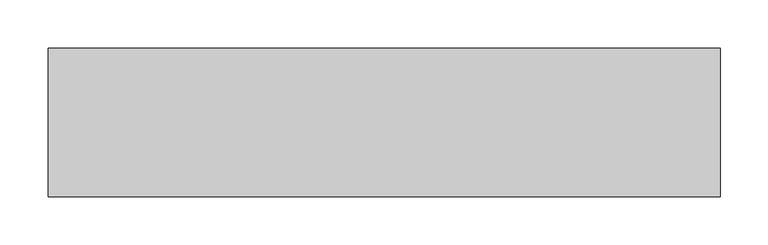
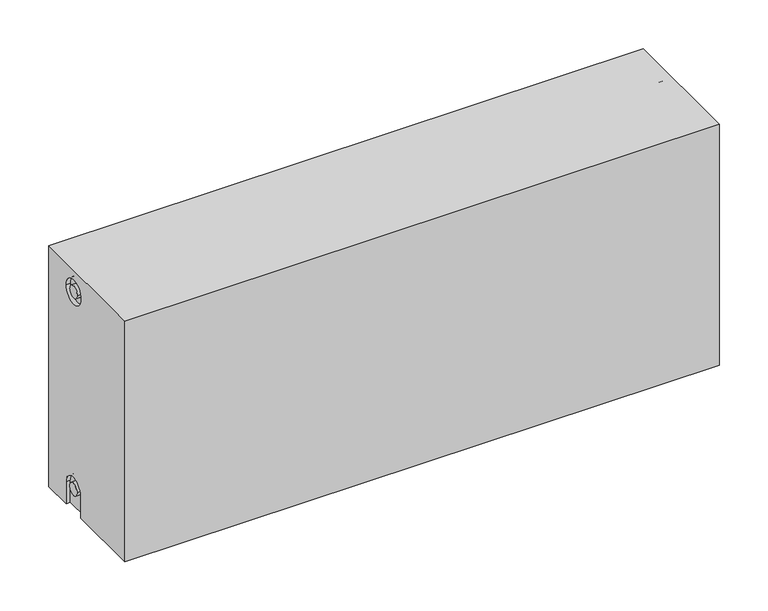
"""IFC4 building model written with IfcOpenShell, lengths in millimetres: proxy geometry."""

from ifc_helpers import new_model, si_unit, frame, origin, place, context, project, spatial, polyline, circle_curve, source, transform, mapped, element, save
from ifc_brep_helpers import plane_surface, cylinder_surface, revolved_surface, advanced_brep


def mechanical_equipment_3b9f27b1(model_context):
    return source(origin(), model_context, "Body", "AdvancedBrep", [
        advanced_brep(
        [(700.0, 77.5, 300.0), (700.0, 77.5, 0.0), (0.0, 77.5, 0.0), (0.0, 77.5, 300.0), (700.0, -77.5, 300.0), (0.0, -77.5, 300.0), (0.0, -77.5, 0.0), (700.0, -77.5, 0.0), (700.0, 12.2242393, 0.0), (700.0, 12.2242393, 27.0), (700.0, 42.2242393, 27.0), (700.0, 42.2242393, 0.0), (700.0, 42.2242393, 273.0), (700.0, 12.2242393, 273.0), (700.0, 19.7242393, 27.0), (700.0, 34.7242393, 27.0), (700.0, 34.7242393, 273.0), (700.0, 19.7242393, 273.0), (695.0, 42.2242393, 0.0), (695.0, 12.2242393, 0.0), (0.0, 12.5, 0.0), (5.0, 12.5, 0.0), (5.0, 42.5, 0.0), (0.0, 42.5, 0.0), (0.0, 42.5, 27.0), (0.0, 12.5, 27.0), (0.0, 12.2242393, 273.0), (0.0, 42.2242393, 273.0), (0.0, 19.7242393, 273.0), (0.0, 34.7242393, 273.0), (0.0, 35.0682726, 27.0), (0.0, 20.0682726, 27.0), (5.0, 12.2242393, 273.0), (5.0, 42.2242393, 273.0), (5.0, 19.7242393, 273.0), (5.0, 34.7242393, 273.0), (5.0, 12.5, 27.0), (5.0, 42.5, 27.0), (5.0, 20.0682726, 27.0), (5.0, 35.0682726, 27.0), (695.0, 42.2242393, 27.0), (695.0, 12.2242393, 27.0), (695.0, 19.7242393, 27.0), (695.0, 34.7242393, 27.0), (695.0, 12.2242393, 273.0), (695.0, 42.2242393, 273.0), (695.0, 19.7242393, 273.0), (695.0, 34.7242393, 273.0)],
        [
            (0, 1),
            (1, 2),
            (2, 3),
            (3, 0),
            (4, 5),
            (5, 6),
            (6, 7),
            (7, 4),
            (0, 4),
            (7, 8),
            (8, 9),
            (9, 10, circle_curve(frame((700.0, 27.2242393, 27.0), z_axis=(-1.0, 0.0, 0.0), x_axis=(0.0, 1.0, 0.0)), 15.0)),
            (10, 11),
            (11, 1),
            (12, 13, circle_curve(frame((700.0, 27.2242393, 273.0), z_axis=(-1.0, 0.0, 0.0), x_axis=(0.0, 1.0, 0.0)), 15.0)),
            (13, 12, circle_curve(frame((700.0, 27.2242393, 273.0), z_axis=(-1.0, 0.0, 0.0), x_axis=(0.0, 1.0, 0.0)), 15.0)),
            (14, 15, circle_curve(frame((700.0, 27.2242393, 27.0), z_axis=(1.0, 0.0, 0.0), x_axis=(0.0, 1.0, 0.0)), 7.5)),
            (15, 14, circle_curve(frame((700.0, 27.2242393, 27.0), z_axis=(1.0, 0.0, 0.0), x_axis=(0.0, 1.0, 0.0)), 7.5)),
            (16, 17, circle_curve(frame((700.0, 27.2242393, 273.0), z_axis=(1.0, 0.0, 0.0), x_axis=(0.0, 1.0, 0.0)), 7.5)),
            (17, 16, circle_curve(frame((700.0, 27.2242393, 273.0), z_axis=(1.0, 0.0, 0.0), x_axis=(0.0, 1.0, 0.0)), 7.5)),
            (11, 18),
            (18, 19),
            (19, 8),
            (6, 20),
            (20, 21),
            (21, 22),
            (22, 23),
            (23, 2),
            (23, 24),
            (24, 25, circle_curve(frame((0.0, 27.5, 27.0), z_axis=(1.0, 0.0, 0.0), x_axis=(0.0, 1.0, 0.0)), 15.0)),
            (25, 20),
            (5, 3),
            (26, 27, circle_curve(frame((0.0, 27.2242393, 273.0), z_axis=(1.0, 0.0, 0.0), x_axis=(0.0, 1.0, 0.0)), 15.0)),
            (27, 26, circle_curve(frame((0.0, 27.2242393, 273.0), z_axis=(1.0, 0.0, 0.0), x_axis=(0.0, 1.0, 0.0)), 15.0)),
            (28, 29, circle_curve(frame((0.0, 27.2242393, 273.0), z_axis=(-1.0, 0.0, 0.0), x_axis=(0.0, 1.0, 0.0)), 7.5)),
            (29, 28, circle_curve(frame((0.0, 27.2242393, 273.0), z_axis=(-1.0, 0.0, 0.0), x_axis=(0.0, 1.0, 0.0)), 7.5)),
            (30, 31, circle_curve(frame((0.0, 27.5682726, 27.0), z_axis=(-1.0, 0.0, 0.0), x_axis=(0.0, 1.0, 0.0)), 7.5)),
            (31, 30, circle_curve(frame((0.0, 27.5682726, 27.0), z_axis=(-1.0, 0.0, 0.0), x_axis=(0.0, 1.0, 0.0)), 7.5)),
            (32, 33, circle_curve(frame((5.0, 27.2242393, 273.0), z_axis=(-1.0, 0.0, 0.0), x_axis=(0.0, 1.0, 0.0)), 15.0)),
            (33, 32, circle_curve(frame((5.0, 27.2242393, 273.0), z_axis=(-1.0, 0.0, 0.0), x_axis=(0.0, 1.0, 0.0)), 15.0)),
            (34, 35, circle_curve(frame((5.0, 27.2242393, 273.0), z_axis=(1.0, 0.0, 0.0), x_axis=(0.0, 1.0, 0.0)), 7.5)),
            (35, 34, circle_curve(frame((5.0, 27.2242393, 273.0), z_axis=(1.0, 0.0, 0.0), x_axis=(0.0, 1.0, 0.0)), 7.5)),
            (33, 27),
            (26, 32),
            (35, 29),
            (28, 34),
            (21, 36),
            (36, 37, circle_curve(frame((5.0, 27.5, 27.0), z_axis=(-1.0, 0.0, 0.0), x_axis=(0.0, 1.0, 0.0)), 15.0)),
            (37, 22),
            (38, 39, circle_curve(frame((5.0, 27.5682726, 27.0), z_axis=(1.0, 0.0, 0.0), x_axis=(0.0, 1.0, 0.0)), 7.5)),
            (39, 38, circle_curve(frame((5.0, 27.5682726, 27.0), z_axis=(1.0, 0.0, 0.0), x_axis=(0.0, 1.0, 0.0)), 7.5)),
            (38, 31),
            (30, 39),
            (37, 24),
            (36, 25),
            (18, 40),
            (40, 41, circle_curve(frame((695.0, 27.2242393, 27.0), z_axis=(1.0, 0.0, 0.0), x_axis=(0.0, 1.0, 0.0)), 15.0)),
            (41, 19),
            (42, 43, circle_curve(frame((695.0, 27.2242393, 27.0), z_axis=(-1.0, 0.0, 0.0), x_axis=(0.0, 1.0, 0.0)), 7.5)),
            (43, 42, circle_curve(frame((695.0, 27.2242393, 27.0), z_axis=(-1.0, 0.0, 0.0), x_axis=(0.0, 1.0, 0.0)), 7.5)),
            (43, 15),
            (14, 42),
            (10, 40),
            (9, 41),
            (44, 45, circle_curve(frame((695.0, 27.2242393, 273.0), z_axis=(1.0, 0.0, 0.0), x_axis=(0.0, 1.0, 0.0)), 15.0)),
            (45, 44, circle_curve(frame((695.0, 27.2242393, 273.0), z_axis=(1.0, 0.0, 0.0), x_axis=(0.0, 1.0, 0.0)), 15.0)),
            (46, 47, circle_curve(frame((695.0, 27.2242393, 273.0), z_axis=(-1.0, 0.0, 0.0), x_axis=(0.0, 1.0, 0.0)), 7.5)),
            (47, 46, circle_curve(frame((695.0, 27.2242393, 273.0), z_axis=(-1.0, 0.0, 0.0), x_axis=(0.0, 1.0, 0.0)), 7.5)),
            (44, 13),
            (12, 45),
            (46, 17),
            (16, 47),
        ],
        [
            plane_surface(frame((700.0, 77.5, 300.0), z_axis=(0.0, 1.0, 0.0), x_axis=(0.0, 0.0, -1.0))),
            plane_surface(frame((700.0, -77.5, 300.0), z_axis=(0.0, -1.0, 0.0), x_axis=(0.0, 0.0, 1.0))),
            plane_surface(frame((700.0, 77.5, 300.0), z_axis=(1.0, 0.0, 0.0), x_axis=(0.0, -1.0, 0.0))),
            plane_surface(frame((700.0, 77.5, 0.0), z_axis=(0.0, 0.0, -1.0), x_axis=(0.0, -1.0, 0.0))),
            plane_surface(frame((0.0, 77.5, 0.0), z_axis=(-1.0, 0.0, 0.0), x_axis=(0.0, -1.0, 0.0))),
            plane_surface(frame((0.0, 77.5, 300.0), z_axis=(0.0, 0.0, 1.0), x_axis=(0.0, -1.0, 0.0))),
            plane_surface(frame((5.0, 42.2242393, 273.0), z_axis=(-1.0, 0.0, 0.0), x_axis=(0.0, 0.0, 1.0))),
            revolved_surface(polyline([(5.0, 42.2242393, 273.0), (0.0, 42.2242393, 273.0)]), (0.0, 27.2242393, 273.0), (1.0, 0.0, 0.0)),
            cylinder_surface(frame((0.0, 27.2242393, 273.0), z_axis=(-1.0, 0.0, 0.0), x_axis=(0.0, 1.0, 0.0)), 7.5),
            plane_surface(frame((5.0, 35.0682726, 27.0), z_axis=(-1.0, 0.0, 0.0), x_axis=(0.0, 0.0, -1.0))),
            cylinder_surface(frame((0.0, 27.5682726, 27.0), z_axis=(-1.0, 0.0, 0.0), x_axis=(0.0, 1.0, 0.0)), 7.5),
            plane_surface(frame((5.0, 42.5, 0.0), z_axis=(0.0, -1.0, 0.0), x_axis=(-1.0, 0.0, 0.0))),
            revolved_surface(polyline([(5.0, 42.5, 27.0), (0.0, 42.5, 27.0)]), (0.0, 27.5, 27.0), (1.0, 0.0, 0.0)),
            plane_surface(frame((5.0, 12.5, 27.0), z_axis=(0.0, 1.0, 0.0), x_axis=(-1.0, 0.0, 0.0))),
            plane_surface(frame((695.0, 34.7242393, 27.0), z_axis=(1.0, 0.0, 0.0), x_axis=(0.0, 0.0, 1.0))),
            cylinder_surface(frame((695.0, 27.2242393, 27.0), z_axis=(-1.0, 0.0, 0.0), x_axis=(0.0, 1.0, 0.0)), 7.5),
            plane_surface(frame((700.0, 42.2242393, 0.0), z_axis=(0.0, -1.0, 0.0), x_axis=(-1.0, 0.0, 0.0))),
            revolved_surface(polyline([(700.0, 42.2242393, 27.0), (695.0, 42.2242393, 27.0)]), (895.0, 27.2242393, 27.0), (1.0, 0.0, 0.0)),
            plane_surface(frame((700.0, 12.2242393, 27.0), z_axis=(0.0, 1.0, 0.0), x_axis=(-1.0, 0.0, 0.0))),
            plane_surface(frame((695.0, 42.2242393, 273.0), z_axis=(1.0, 0.0, 0.0), x_axis=(0.0, 0.0, -1.0))),
            revolved_surface(polyline([(700.0, 42.2242393, 273.0), (695.0, 42.2242393, 273.0)]), (695.0, 27.2242393, 273.0), (1.0, 0.0, 0.0)),
            cylinder_surface(frame((895.0, 27.2242393, 273.0), z_axis=(-1.0, 0.0, 0.0), x_axis=(0.0, 1.0, 0.0)), 7.5),
        ],
        [
            (0, [[1, 2, 3, 4]]),
            (1, [[5, 6, 7, 8]]),
            (2, [[-1, 9, -8, 10, 11, 12, 13, 14], [15, 16]]),
            (2, [[17, 18]]),
            (2, [[19, 20]]),
            (3, [[-2, -14, 21, 22, 23, -10, -7, 24, 25, 26, 27, 28]]),
            (4, [[-3, -28, 29, 30, 31, -24, -6, 32], [33, 34]]),
            (4, [[35, 36]]),
            (4, [[37, 38]]),
            (5, [[-4, -32, -5, -9]]),
            (6, [[39, 40], [41, 42]]),
            (7, [[-40, 43, -33, 44]]),
            (7, [[-39, -44, -34, -43]]),
            (8, [[-42, 45, -35, 46]]),
            (8, [[-41, -46, -36, -45]]),
            (9, [[47, 48, 49, -26], [50, 51]]),
            (10, [[-50, 52, -37, 53]]),
            (10, [[-51, -53, -38, -52]]),
            (11, [[-49, 54, -29, -27]]),
            (12, [[-48, 55, -30, -54]]),
            (13, [[-47, -25, -31, -55]]),
            (14, [[56, 57, 58, -22], [59, 60]]),
            (15, [[-60, 61, -17, 62]]),
            (15, [[-59, -62, -18, -61]]),
            (16, [[-56, -21, -13, 63]]),
            (17, [[-57, -63, -12, 64]]),
            (18, [[-58, -64, -11, -23]]),
            (19, [[65, 66], [67, 68]]),
            (20, [[-65, 69, -15, 70]]),
            (20, [[-66, -70, -16, -69]]),
            (21, [[-67, 71, -19, 72]]),
            (21, [[-68, -72, -20, -71]]),
        ],
    ),
    ])


if __name__ == "__main__":
    model = new_model("IFC4")
    model_context = context("Model", 3, world=origin())
    ifc_project = project(units=[si_unit("LENGTHUNIT", "METRE", prefix="MILLI")], contexts=[model_context])
    site = spatial("IfcSite", under=ifc_project)
    building = spatial("IfcBuilding", under=site)
    placement = place(None, origin())
    mechanical_equipment_shape = mechanical_equipment_3b9f27b1(model_context)
    element("IfcBuildingElementProxy", 1, Name="Mechanical Equipment", at=placement, inside=building, context=model_context, shape_type="MappedRepresentation", body=[
        mapped(mechanical_equipment_shape, transform((0.0, 0.0, 0.0), x_axis=(1.0, 0.0, 0.0), y_axis=(0.0, 1.0, 0.0), z_axis=(0.0, 0.0, 1.0))),
    ])
    save(model, "model.ifc")
